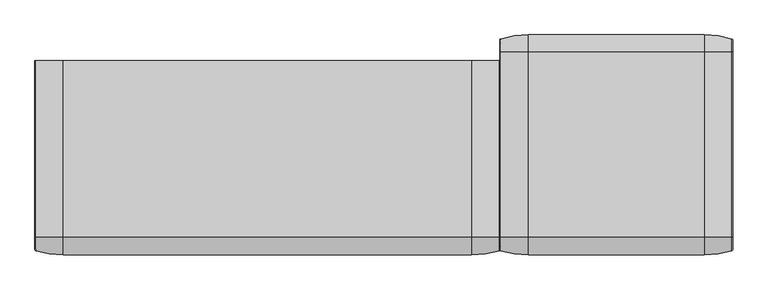
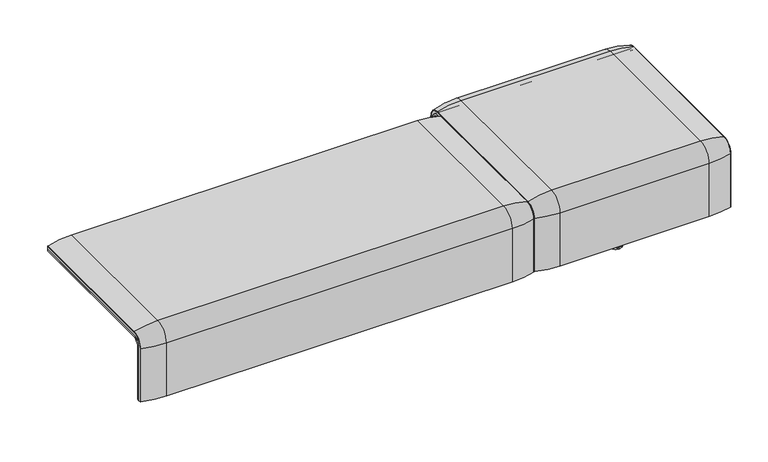
"""IFC4 building model written with IfcOpenShell, lengths in millimetres: furniture geometry."""

from ifc_helpers import new_model, si_unit, point, frame, frame_2d, origin, place, context, project, spatial, polyline, circle_curve, ellipse_curve, trimmed, segment, composite_curve, outline, extrude, source, transform, mapped, element, save
from ifc_brep_helpers import plane_surface, cylinder_surface, revolved_surface, advanced_brep


def furniture_5e5a05a0(model_context):
    return source(origin(), model_context, "Body", "SolidModel", [
        advanced_brep(
        [(407.9906244, 323.7517936, 359.922434), (407.9906244, -323.7517936, 359.922434), (407.9906244, -351.0, 332.6742277), (407.9906244, -351.0, 100.5089435), (407.9906244, -357.5, 100.5089435), (407.9906244, -357.5, 333.0583003), (407.9906244, -324.3858663, 366.172434), (407.9906244, 324.3858663, 366.172434), (407.9906244, 357.5, 333.0583003), (407.9906244, 357.5, 100.5089435), (407.9906244, 351.0, 100.5089435), (407.9906244, 351.0, 332.6742277), (1223.9718733, 323.7517936, 359.922434), (1223.9718733, 351.0, 332.6742277), (1223.9718733, 351.0, 100.5089435), (1223.9718733, 357.5, 100.5089435), (1223.9718733, 357.5, 333.0583003), (1223.9718733, 324.3858663, 366.172434), (1223.9718733, -324.3858663, 366.172434), (1223.9718733, -357.5, 333.0583003), (1223.9718733, -357.5, 100.5089435), (1223.9718733, -351.0, 100.5089435), (1223.9718733, -351.0, 332.6742277), (1223.9718733, -323.7517936, 359.922434), (442.8906244, -324.3858663, 366.172434), (442.8906244, 324.3858663, 366.172434), (1189.0718733, 324.3858663, 366.172434), (1189.0718733, -324.3858663, 366.172434), (442.8906244, -357.5, 333.0583003), (1189.0718733, -357.5, 333.0583003), (1189.0718733, -357.5, 135.3766997), (442.8906244, -357.5, 135.3766997), (442.8906244, -351.0, 332.6742277), (442.8906244, -351.0, 135.3766997), (1189.0718733, -351.0, 135.3766997), (1189.0718733, -351.0, 332.6742277), (442.8906244, -323.7517936, 359.922434), (1189.0718733, -323.7517936, 359.922434), (442.8906244, 323.7517936, 359.922434), (1189.0718733, 323.7517936, 359.922434), (442.8906244, 357.5, 333.0583003), (1189.0718733, 357.5, 333.0583003), (442.8906244, 357.5, 135.3766997), (1189.0718733, 357.5, 135.3766997), (1189.0718733, 351.0, 332.6742277), (1189.0718733, 351.0, 135.3766997), (442.8906244, 351.0, 135.3766997), (442.8906244, 351.0, 332.6742277)],
        [
            (0, 1),
            (1, 2, circle_curve(frame((407.9906244, -323.7517936, 332.6742277), z_axis=(1.0, 0.0, 0.0), x_axis=(0.0, -1.0, 0.0)), 27.2482064)),
            (2, 3),
            (3, 4),
            (4, 5),
            (5, 6, circle_curve(frame((407.9906244, -324.3858663, 333.0583003), z_axis=(-1.0, 0.0, 0.0), x_axis=(0.0, -1.0, 0.0)), 33.1141337)),
            (6, 7),
            (7, 8, circle_curve(frame((407.9906244, 324.3858663, 333.0583003), z_axis=(-1.0, 0.0, 0.0), x_axis=(0.0, 1.0, 0.0)), 33.1141337)),
            (8, 9),
            (9, 10),
            (10, 11),
            (11, 0, circle_curve(frame((407.9906244, 323.7517936, 332.6742277), z_axis=(1.0, 0.0, 0.0), x_axis=(0.0, 1.0, 0.0)), 27.2482064)),
            (12, 13, circle_curve(frame((1223.9718733, 323.7517936, 332.6742277), z_axis=(-1.0, 0.0, 0.0), x_axis=(0.0, 1.0, 0.0)), 27.2482064)),
            (13, 14),
            (14, 15),
            (15, 16),
            (16, 17, circle_curve(frame((1223.9718733, 324.3858663, 333.0583003), z_axis=(1.0, 0.0, 0.0), x_axis=(0.0, 1.0, 0.0)), 33.1141337)),
            (17, 18),
            (18, 19, circle_curve(frame((1223.9718733, -324.3858663, 333.0583003), z_axis=(1.0, 0.0, 0.0), x_axis=(0.0, -1.0, 0.0)), 33.1141337)),
            (19, 20),
            (20, 21),
            (21, 22),
            (22, 23, circle_curve(frame((1223.9718733, -323.7517936, 332.6742277), z_axis=(-1.0, 0.0, 0.0), x_axis=(0.0, -1.0, 0.0)), 27.2482064)),
            (23, 12),
            (6, 24),
            (24, 25),
            (25, 7),
            (17, 26),
            (26, 27),
            (27, 18),
            (5, 28),
            (28, 24, circle_curve(frame((442.8906244, -324.3858663, 333.0583003), z_axis=(-1.0, 0.0, 0.0), x_axis=(0.0, -1.0, 0.0)), 33.1141337)),
            (27, 29, circle_curve(frame((1189.0718733, -324.3858663, 333.0583003), z_axis=(1.0, 0.0, 0.0), x_axis=(0.0, -1.0, 0.0)), 33.1141337)),
            (29, 19),
            (4, 20),
            (29, 30),
            (30, 31),
            (31, 28),
            (3, 21),
            (2, 32),
            (32, 33),
            (33, 34),
            (34, 35),
            (35, 22),
            (1, 36),
            (36, 32, circle_curve(frame((442.8906244, -323.7517936, 332.6742277), z_axis=(1.0, 0.0, 0.0), x_axis=(0.0, -1.0, 0.0)), 27.2482064)),
            (35, 37, circle_curve(frame((1189.0718733, -323.7517936, 332.6742277), z_axis=(-1.0, 0.0, 0.0), x_axis=(0.0, -1.0, 0.0)), 27.2482064)),
            (37, 23),
            (0, 38),
            (38, 36),
            (37, 39),
            (39, 12),
            (25, 40, circle_curve(frame((442.8906244, 324.3858663, 333.0583003), z_axis=(-1.0, 0.0, 0.0), x_axis=(0.0, 1.0, 0.0)), 33.1141337)),
            (40, 8),
            (16, 41),
            (41, 26, circle_curve(frame((1189.0718733, 324.3858663, 333.0583003), z_axis=(1.0, 0.0, 0.0), x_axis=(0.0, 1.0, 0.0)), 33.1141337)),
            (40, 42),
            (42, 43),
            (43, 41),
            (15, 9),
            (14, 10),
            (13, 44),
            (44, 45),
            (45, 46),
            (46, 47),
            (47, 11),
            (47, 38, circle_curve(frame((442.8906244, 323.7517936, 332.6742277), z_axis=(1.0, 0.0, 0.0), x_axis=(0.0, 1.0, 0.0)), 27.2482064)),
            (39, 44, circle_curve(frame((1189.0718733, 323.7517936, 332.6742277), z_axis=(-1.0, 0.0, 0.0), x_axis=(0.0, 1.0, 0.0)), 27.2482064)),
            (46, 42),
            (31, 33),
            (34, 30),
            (43, 45),
        ],
        [
            plane_surface(frame((407.9906244, -296.9265415, 359.922434), z_axis=(-1.0, 0.0, 0.0), x_axis=(0.0, -1.0, 0.0))),
            plane_surface(frame((1223.9718733, -296.9265415, 359.922434), z_axis=(1.0, 0.0, 0.0), x_axis=(0.0, 1.0, 0.0))),
            plane_surface(frame((407.9906244, -324.3858663, 366.172434), z_axis=(0.0, 0.0, 1.0), x_axis=(1.0, 0.0, 0.0))),
            cylinder_surface(frame((1223.9718733, -324.3858663, 333.0583003), z_axis=(-1.0, 0.0, 0.0), x_axis=(0.0, -1.0, 0.0)), 33.1141337),
            plane_surface(frame((407.9906244, -357.5, 100.5089435), z_axis=(0.0, -1.0, 0.0), x_axis=(1.0, 0.0, 0.0))),
            plane_surface(frame((407.9906244, -351.0, 100.5089435), z_axis=(0.0, 0.0, -1.0), x_axis=(1.0, 0.0, 0.0))),
            plane_surface(frame((407.9906244, -351.0, 332.6742277), z_axis=(0.0, 1.0, 0.0), x_axis=(1.0, 0.0, 0.0))),
            revolved_surface(polyline([(442.8906244, -351.0, 332.6742277), (407.9906244, -351.0, 332.6742277)]), (1223.9718733, -323.7517936, 332.6742277), (1.0, 0.0, 0.0)),
            revolved_surface(polyline([(1223.9718733, -351.0, 332.6742277), (1189.0718733, -351.0, 332.6742277)]), (1223.9718733, -323.7517936, 332.6742277), (1.0, 0.0, 0.0)),
            plane_surface(frame((407.9906244, 323.7517936, 359.922434), z_axis=(0.0, 0.0, -1.0), x_axis=(1.0, 0.0, 0.0))),
            cylinder_surface(frame((1223.9718733, 324.3858663, 333.0583003), z_axis=(-1.0, 0.0, 0.0), x_axis=(0.0, 1.0, 0.0)), 33.1141337),
            plane_surface(frame((407.9906244, 357.5, 333.0583003), z_axis=(0.0, 1.0, 0.0), x_axis=(1.0, 0.0, 0.0))),
            plane_surface(frame((407.9906244, 357.5, 100.5089435), z_axis=(0.0, 0.0, -1.0), x_axis=(1.0, 0.0, 0.0))),
            plane_surface(frame((407.9906244, 351.0, 100.5089435), z_axis=(0.0, -1.0, 0.0), x_axis=(1.0, 0.0, 0.0))),
            revolved_surface(polyline([(442.8906244, 351.0, 332.6742277), (407.9906244, 351.0, 332.6742277)]), (1223.9718733, 323.7517936, 332.6742277), (1.0, 0.0, 0.0)),
            revolved_surface(polyline([(1223.9718733, 351.0, 332.6742277), (1189.0718733, 351.0, 332.6742277)]), (1223.9718733, 323.7517936, 332.6742277), (1.0, 0.0, 0.0)),
            plane_surface(frame((442.8906244, -296.9265415, 359.922434), z_axis=(1.0, 0.0, 0.0), x_axis=(0.0, -1.0, 0.0))),
            plane_surface(frame((1189.0718733, -296.9265415, 359.922434), z_axis=(-1.0, 0.0, 0.0), x_axis=(0.0, 1.0, 0.0))),
            plane_surface(frame((442.8906244, -351.0, 135.3766997), z_axis=(0.0, 0.0, 1.0), x_axis=(1.0, 0.0, 0.0))),
            plane_surface(frame((442.8906244, 357.5, 135.3766997), z_axis=(0.0, 0.0, 1.0), x_axis=(1.0, 0.0, 0.0))),
        ],
        [
            (0, [[1, 2, 3, 4, 5, 6, 7, 8, 9, 10, 11, 12]]),
            (1, [[13, 14, 15, 16, 17, 18, 19, 20, 21, 22, 23, 24]]),
            (2, [[-7, 25, 26, 27]]),
            (2, [[-18, 28, 29, 30]]),
            (3, [[-6, 31, 32, -25]]),
            (3, [[-19, -30, 33, 34]]),
            (4, [[-5, 35, -20, -34, 36, 37, 38, -31]]),
            (5, [[-4, 39, -21, -35]]),
            (6, [[-3, 40, 41, 42, 43, 44, -22, -39]]),
            (7, [[-2, 45, 46, -40]]),
            (8, [[-23, -44, 47, 48]]),
            (9, [[-1, 49, 50, -45]]),
            (9, [[-24, -48, 51, 52]]),
            (10, [[-8, -27, 53, 54]]),
            (10, [[-17, 55, 56, -28]]),
            (11, [[-9, -54, 57, 58, 59, -55, -16, 60]]),
            (12, [[-10, -60, -15, 61]]),
            (13, [[-11, -61, -14, 62, 63, 64, 65, 66]]),
            (14, [[-12, -66, 67, -49]]),
            (15, [[-13, -52, 68, -62]]),
            (16, [[69, -57, -53, -26, -32, -38, 70, -41, -46, -50, -67, -65]]),
            (17, [[71, -36, -33, -29, -56, -59, 72, -63, -68, -51, -47, -43]]),
            (18, [[-70, -37, -71, -42]]),
            (19, [[-69, -64, -72, -58]]),
        ],
    ),
        extrude(outline(composite_curve([segment(polyline([(323.7517936, 359.922434), (-323.7517936, 359.922434)]), True, "CONTINUOUS"), segment(trimmed(circle_curve(frame_2d((-323.7517936, 332.6742277)), 27.2482064), [point((-323.7517936, 359.922434))], [point((-351.0, 332.6742277))], True, "CARTESIAN"), True, "CONTINUOUS"), segment(polyline([(-351.0, 332.6742277), (-351.0, 135.3766997), (-357.5, 135.3766997), (-357.5, 333.0583003)]), True, "CONTINUOUS"), segment(trimmed(circle_curve(frame_2d((-324.3858663, 333.0583003)), 33.1141337), [point((-357.5, 333.0583003))], [point((-324.3858663, 366.172434))], False, "CARTESIAN"), True, "CONTINUOUS"), segment(polyline([(-324.3858663, 366.172434), (324.3858663, 366.172434)]), True, "CONTINUOUS"), segment(trimmed(circle_curve(frame_2d((324.3858663, 333.0583003)), 33.1141337), [point((324.3858663, 366.172434))], [point((357.5, 333.0583003))], False, "CARTESIAN"), True, "CONTINUOUS"), segment(polyline([(357.5, 333.0583003), (357.5, 135.3766997), (351.0, 135.3766997), (351.0, 332.6742277)]), True, "CONTINUOUS"), segment(trimmed(circle_curve(frame_2d((323.7517936, 332.6742277)), 27.2482064), [point((351.0, 332.6742277))], [point((323.7517936, 359.922434))], True, "CARTESIAN"), True, "CONTINUOUS")], self_intersect=False)), frame((442.8906244, 0.0, 0.0), z_axis=(1.0, 0.0, 0.0), x_axis=(0.0, 1.0, 0.0)), (0.0, 0.0, 1.0), 746.1812488),
        advanced_brep(
        [(407.9906244, -368.7793679, 100.5089435), (407.9906244, -357.5, 100.5089435), (1223.9718733, -357.5, 100.5089435), (1223.9718733, -368.7793679, 100.5089435), (1221.8332448, -371.6530483, 100.5089435), (1123.9718733, -386.0043559, 100.5089435), (507.9906244, -386.0043559, 100.5089435), (410.1292529, -371.6530483, 100.5089435), (407.9906244, 368.7793679, 100.5089435), (410.1292529, 371.6530483, 100.5089435), (507.9906244, 386.0043559, 100.5089435), (1123.9718733, 386.0043559, 100.5089435), (1221.8332448, 371.6530483, 100.5089435), (1223.9718733, 368.7793679, 100.5089435), (1223.9718733, 357.5, 100.5089435), (407.9906244, 357.5, 100.5089435), (407.9906244, -368.7793679, 333.0583003), (407.9906244, -324.3858663, 377.4518019), (407.9906244, 324.3858663, 377.4518019), (407.9906244, 368.7793679, 333.0583003), (407.9906244, 357.5, 333.0583003), (407.9906244, 324.3858663, 366.172434), (407.9906244, -324.3858663, 366.172434), (407.9906244, -357.5, 333.0583003), (1223.9718733, -357.5, 333.0583003), (1123.9718733, -386.0043559, 333.0583003), (507.9906244, -386.0043559, 333.0583003), (410.1292529, -371.6530483, 333.0583003), (1223.9718733, -324.3858663, 366.172434), (507.9906244, -324.3858663, 394.67679), (1123.9718733, -324.3858663, 394.67679), (410.1292529, -324.3858663, 380.3254823), (1223.9718733, 324.3858663, 366.172434), (1123.9718733, 324.3858663, 394.67679), (507.9906244, 324.3858663, 394.67679), (410.1292529, 324.3858663, 380.3254823), (1223.9718733, 357.5, 333.0583003), (507.9906244, 386.0043559, 333.0583003), (1123.9718733, 386.0043559, 333.0583003), (410.1292529, 371.6530483, 333.0583003), (1223.9718733, 368.7793679, 333.0583003), (1223.9718733, 324.3858663, 377.4518019), (1223.9718733, -324.3858663, 377.4518019), (1223.9718733, -368.7793679, 333.0583003), (1221.8332448, -371.6530483, 333.0583003), (1221.8332448, -324.3858663, 380.3254823), (1221.8332448, 324.3858663, 380.3254823), (1221.8332448, 371.6530483, 333.0583003)],
        [
            (0, 1),
            (1, 2),
            (2, 3),
            (3, 4, circle_curve(frame((1220.9718733, -368.7793679, 100.5089435), z_axis=(0.0, 0.0, -1.0), x_axis=(-1.0, 0.0, 0.0)), 3.0)),
            (4, 5, circle_curve(frame((1123.9718733, -45.1710226, 100.5089435), z_axis=(0.0, 0.0, -1.0), x_axis=(0.0, 1.0, 0.0)), 340.8333333)),
            (5, 6),
            (6, 7, circle_curve(frame((507.9906244, -45.1710226, 100.5089435), z_axis=(0.0, 0.0, -1.0), x_axis=(0.0, 1.0, 0.0)), 340.8333333)),
            (7, 0, circle_curve(frame((410.9906244, -368.7793679, 100.5089435), z_axis=(0.0, 0.0, -1.0), x_axis=(1.0, 0.0, 0.0)), 3.0)),
            (8, 9, circle_curve(frame((410.9906244, 368.7793679, 100.5089435), z_axis=(0.0, 0.0, -1.0), x_axis=(1.0, 0.0, 0.0)), 3.0)),
            (9, 10, circle_curve(frame((507.9906244, 45.1710226, 100.5089435), z_axis=(0.0, 0.0, -1.0), x_axis=(0.0, -1.0, 0.0)), 340.8333333)),
            (10, 11),
            (11, 12, circle_curve(frame((1123.9718733, 45.1710226, 100.5089435), z_axis=(0.0, 0.0, -1.0), x_axis=(0.0, -1.0, 0.0)), 340.8333333)),
            (12, 13, circle_curve(frame((1220.9718733, 368.7793679, 100.5089435), z_axis=(0.0, 0.0, -1.0), x_axis=(-1.0, 0.0, 0.0)), 3.0)),
            (13, 14),
            (14, 15),
            (15, 8),
            (0, 16),
            (16, 17, circle_curve(frame((407.9906244, -324.3858663, 333.0583003), z_axis=(-1.0, 0.0, 0.0), x_axis=(0.0, -1.0, 0.0)), 44.3935016)),
            (17, 18),
            (18, 19, circle_curve(frame((407.9906244, 324.3858663, 333.0583003), z_axis=(-1.0, 0.0, 0.0), x_axis=(0.0, 0.0, 1.0)), 44.3935016)),
            (19, 8),
            (15, 20),
            (20, 21, circle_curve(frame((407.9906244, 324.3858663, 333.0583003), z_axis=(1.0, 0.0, 0.0), x_axis=(0.0, 0.0, 1.0)), 33.1141337)),
            (21, 22),
            (22, 23, circle_curve(frame((407.9906244, -324.3858663, 333.0583003), z_axis=(1.0, 0.0, 0.0), x_axis=(0.0, -1.0, 0.0)), 33.1141337)),
            (23, 1),
            (23, 24),
            (24, 2),
            (5, 25),
            (25, 26),
            (26, 6),
            (26, 27, circle_curve(frame((507.9906244, -45.1710226, 333.0583003), z_axis=(0.0, 0.0, -1.0), x_axis=(0.0, 1.0, 0.0)), 340.8333333)),
            (27, 7),
            (27, 16, circle_curve(frame((410.9906244, -368.7793679, 333.0583003), z_axis=(0.0, 0.0, -1.0), x_axis=(1.0, 0.0, 0.0)), 3.0)),
            (28, 24, circle_curve(frame((1223.9718733, -324.3858663, 333.0583003), z_axis=(1.0, 0.0, 0.0), x_axis=(0.0, -1.0, 0.0)), 33.1141337)),
            (22, 28),
            (29, 26, circle_curve(frame((507.9906244, -324.3858663, 333.0583003), z_axis=(1.0, 0.0, 0.0), x_axis=(0.0, -1.0, 0.0)), 61.6184897)),
            (25, 30, circle_curve(frame((1123.9718733, -324.3858663, 333.0583003), z_axis=(-1.0, 0.0, 0.0), x_axis=(0.0, -1.0, 0.0)), 61.6184897)),
            (30, 29),
            (31, 27, circle_curve(frame((410.1292529, -324.3858663, 333.0583003), z_axis=(1.0, 0.0, 0.0), x_axis=(0.0, -1.0, 0.0)), 47.267182)),
            (29, 31, circle_curve(frame((507.9906244, -324.3858663, 53.8434566), z_axis=(0.0, -1.0, 0.0), x_axis=(0.0, 0.0, -1.0)), 340.8333333)),
            (31, 17, circle_curve(frame((410.9906244, -324.3858663, 377.4518019), z_axis=(0.0, -1.0, 0.0), x_axis=(1.0, 0.0, 0.0)), 3.0)),
            (21, 32),
            (32, 28),
            (30, 33),
            (33, 34),
            (34, 29),
            (34, 35, circle_curve(frame((507.9906244, 324.3858663, 53.8434566), z_axis=(0.0, -1.0, 0.0), x_axis=(0.0, 0.0, -1.0)), 340.8333333)),
            (35, 31),
            (35, 18, circle_curve(frame((410.9906244, 324.3858663, 377.4518019), z_axis=(0.0, -1.0, 0.0), x_axis=(1.0, 0.0, 0.0)), 3.0)),
            (36, 32, circle_curve(frame((1223.9718733, 324.3858663, 333.0583003), z_axis=(1.0, 0.0, 0.0), x_axis=(0.0, 0.0, 1.0)), 33.1141337)),
            (20, 36),
            (37, 34, circle_curve(frame((507.9906244, 324.3858663, 333.0583003), z_axis=(1.0, 0.0, 0.0), x_axis=(0.0, 0.0, 1.0)), 61.6184897)),
            (33, 38, circle_curve(frame((1123.9718733, 324.3858663, 333.0583003), z_axis=(-1.0, 0.0, 0.0), x_axis=(0.0, 0.0, 1.0)), 61.6184897)),
            (38, 37),
            (39, 35, circle_curve(frame((410.1292529, 324.3858663, 333.0583003), z_axis=(1.0, 0.0, 0.0), x_axis=(0.0, 0.0, 1.0)), 47.267182)),
            (37, 39, circle_curve(frame((507.9906244, 45.1710226, 333.0583003), z_axis=(0.0, 0.0, 1.0), x_axis=(0.0, -1.0, 0.0)), 340.8333333)),
            (39, 19, circle_curve(frame((410.9906244, 368.7793679, 333.0583003), z_axis=(0.0, 0.0, 1.0), x_axis=(1.0, 0.0, 0.0)), 3.0)),
            (14, 36),
            (38, 11),
            (10, 37),
            (9, 39),
            (13, 40),
            (40, 41, circle_curve(frame((1223.9718733, 324.3858663, 333.0583003), z_axis=(1.0, 0.0, 0.0), x_axis=(0.0, 0.0, 1.0)), 44.3935016)),
            (41, 42),
            (42, 43, circle_curve(frame((1223.9718733, -324.3858663, 333.0583003), z_axis=(1.0, 0.0, 0.0), x_axis=(0.0, -1.0, 0.0)), 44.3935016)),
            (43, 3),
            (43, 44, circle_curve(frame((1220.9718733, -368.7793679, 333.0583003), z_axis=(0.0, 0.0, -1.0), x_axis=(-1.0, 0.0, 0.0)), 3.0)),
            (44, 4),
            (44, 25, circle_curve(frame((1123.9718733, -45.1710226, 333.0583003), z_axis=(0.0, 0.0, -1.0), x_axis=(0.0, 1.0, 0.0)), 340.8333333)),
            (45, 44, circle_curve(frame((1221.8332448, -324.3858663, 333.0583003), z_axis=(1.0, 0.0, 0.0), x_axis=(0.0, -1.0, 0.0)), 47.267182)),
            (42, 45, circle_curve(frame((1220.9718733, -324.3858663, 377.4518019), z_axis=(0.0, -1.0, 0.0), x_axis=(-1.0, 0.0, 0.0)), 3.0)),
            (45, 30, circle_curve(frame((1123.9718733, -324.3858663, 53.8434566), z_axis=(0.0, -1.0, 0.0), x_axis=(0.0, 0.0, -1.0)), 340.8333333)),
            (41, 46, circle_curve(frame((1220.9718733, 324.3858663, 377.4518019), z_axis=(0.0, -1.0, 0.0), x_axis=(-1.0, 0.0, 0.0)), 3.0)),
            (46, 45),
            (46, 33, circle_curve(frame((1123.9718733, 324.3858663, 53.8434566), z_axis=(0.0, -1.0, 0.0), x_axis=(0.0, 0.0, -1.0)), 340.8333333)),
            (47, 46, circle_curve(frame((1221.8332448, 324.3858663, 333.0583003), z_axis=(1.0, 0.0, 0.0), x_axis=(0.0, 0.0, 1.0)), 47.267182)),
            (40, 47, circle_curve(frame((1220.9718733, 368.7793679, 333.0583003), z_axis=(0.0, 0.0, 1.0), x_axis=(-1.0, 0.0, 0.0)), 3.0)),
            (47, 38, circle_curve(frame((1123.9718733, 45.1710226, 333.0583003), z_axis=(0.0, 0.0, 1.0), x_axis=(0.0, -1.0, 0.0)), 340.8333333)),
            (12, 47),
        ],
        [
            plane_surface(frame((407.9906244, -357.5, 100.5089435), z_axis=(0.0, 0.0, -1.0), x_axis=(1.0, 0.0, 0.0))),
            plane_surface(frame((407.9906244, 357.5, 100.5089435), z_axis=(0.0, 0.0, -1.0), x_axis=(1.0, 0.0, 0.0))),
            plane_surface(frame((407.9906244, -368.7793679, 100.5089435), z_axis=(-1.0, 0.0, 0.0), x_axis=(0.0, 0.0, 1.0))),
            plane_surface(frame((407.9906244, -357.5, 100.5089435), z_axis=(0.0, 1.0, 0.0), x_axis=(0.0, 0.0, 1.0))),
            plane_surface(frame((1123.9718733, -386.0043559, 100.5089435), z_axis=(0.0, -1.0, 0.0), x_axis=(0.0, 0.0, 1.0))),
            cylinder_surface(frame((507.9906244, -45.1710226, 100.5089435), z_axis=(0.0, 0.0, -1.0), x_axis=(0.0, 1.0, 0.0)), 340.8333333),
            cylinder_surface(frame((410.9906244, -368.7793679, 100.5089435), z_axis=(0.0, 0.0, -1.0), x_axis=(1.0, 0.0, 0.0)), 3.0),
            revolved_surface(polyline([(407.9906244, -357.5, 333.0583003), (1223.9718733, -357.5, 333.0583003)]), (407.9906244, -324.3858663, 333.0583003), (-1.0, 0.0, 0.0)),
            cylinder_surface(frame((407.9906244, -324.3858663, 333.0583003), z_axis=(-1.0, 0.0, 0.0), x_axis=(0.0, -1.0, 0.0)), 61.6184897),
            revolved_surface(trimmed(ellipse_curve(frame((507.9906244, -45.1710226, 333.0583003), z_axis=(0.0, 0.0, -1.0), x_axis=(0.0, 1.0, 0.0)), 340.8333333, 340.8333333), [point((507.9906244, -386.0043559, 333.0583003))], [point((410.1292529, -371.6530483, 333.0583003))], True, "CARTESIAN"), (407.9906244, -324.3858663, 333.0583003), (-1.0, 0.0, 0.0)),
            revolved_surface(trimmed(ellipse_curve(frame((410.9906244, -368.7793679, 333.0583003), z_axis=(0.0, 0.0, -1.0), x_axis=(1.0, 0.0, 0.0)), 3.0, 3.0), [point((410.1292529, -371.6530483, 333.0583003))], [point((407.9906244, -368.7793679, 333.0583003))], True, "CARTESIAN"), (407.9906244, -324.3858663, 333.0583003), (-1.0, 0.0, 0.0)),
            plane_surface(frame((407.9906244, -324.3858663, 366.172434), z_axis=(0.0, 0.0, -1.0), x_axis=(0.0, 1.0, 0.0))),
            plane_surface(frame((1123.9718733, -324.3858663, 394.67679), z_axis=(0.0, 0.0, 1.0), x_axis=(0.0, 1.0, 0.0))),
            cylinder_surface(frame((507.9906244, -324.3858663, 53.8434566), z_axis=(0.0, -1.0, 0.0), x_axis=(0.0, 0.0, -1.0)), 340.8333333),
            cylinder_surface(frame((410.9906244, -324.3858663, 377.4518019), z_axis=(0.0, -1.0, 0.0), x_axis=(1.0, 0.0, 0.0)), 3.0),
            revolved_surface(polyline([(407.9906244, 324.3858663, 366.17243399999995), (1223.9718733, 324.3858663, 366.17243399999995)]), (407.9906244, 324.3858663, 333.0583003), (-1.0, 0.0, 0.0)),
            cylinder_surface(frame((407.9906244, 324.3858663, 333.0583003), z_axis=(-1.0, 0.0, 0.0), x_axis=(0.0, 0.0, 1.0)), 61.6184897),
            revolved_surface(trimmed(ellipse_curve(frame((507.9906244, 324.3858663, 53.8434566), z_axis=(0.0, -1.0, 0.0), x_axis=(0.0, 0.0, -1.0)), 340.8333333, 340.8333333), [point((507.9906244, 324.3858663, 394.67679))], [point((410.1292529, 324.3858663, 380.3254823))], True, "CARTESIAN"), (407.9906244, 324.3858663, 333.0583003), (-1.0, 0.0, 0.0)),
            revolved_surface(trimmed(ellipse_curve(frame((410.9906244, 324.3858663, 377.4518019), z_axis=(0.0, -1.0, 0.0), x_axis=(1.0, 0.0, 0.0)), 3.0, 3.0), [point((410.1292529, 324.3858663, 380.3254823))], [point((407.9906244, 324.3858663, 377.4518019))], True, "CARTESIAN"), (407.9906244, 324.3858663, 333.0583003), (-1.0, 0.0, 0.0)),
            plane_surface(frame((407.9906244, 357.5, 333.0583003), z_axis=(0.0, -1.0, 0.0), x_axis=(0.0, 0.0, -1.0))),
            plane_surface(frame((1123.9718733, 386.0043559, 333.0583003), z_axis=(0.0, 1.0, 0.0), x_axis=(0.0, 0.0, -1.0))),
            cylinder_surface(frame((507.9906244, 45.1710226, 333.0583003), z_axis=(0.0, 0.0, 1.0), x_axis=(0.0, -1.0, 0.0)), 340.8333333),
            cylinder_surface(frame((410.9906244, 368.7793679, 333.0583003), z_axis=(0.0, 0.0, 1.0), x_axis=(1.0, 0.0, 0.0)), 3.0),
            plane_surface(frame((1223.9718733, -357.5, 100.5089435), z_axis=(1.0, 0.0, 0.0), x_axis=(0.0, 0.0, 1.0))),
            cylinder_surface(frame((1220.9718733, -368.7793679, 100.5089435), z_axis=(0.0, 0.0, -1.0), x_axis=(-1.0, 0.0, 0.0)), 3.0),
            cylinder_surface(frame((1123.9718733, -45.1710226, 100.5089435), z_axis=(0.0, 0.0, -1.0), x_axis=(0.0, 1.0, 0.0)), 340.8333333),
            revolved_surface(trimmed(ellipse_curve(frame((1220.9718733, -368.7793679, 333.0583003), z_axis=(0.0, 0.0, -1.0), x_axis=(-1.0, 0.0, 0.0)), 3.0, 3.0), [point((1223.9718733, -368.7793679, 333.0583003))], [point((1221.8332448, -371.6530483, 333.0583003))], True, "CARTESIAN"), (407.9906244, -324.3858663, 333.0583003), (-1.0, 0.0, 0.0)),
            revolved_surface(trimmed(ellipse_curve(frame((1123.9718733, -45.1710226, 333.0583003), z_axis=(0.0, 0.0, -1.0), x_axis=(0.0, 1.0, 0.0)), 340.8333333, 340.8333333), [point((1221.8332448, -371.6530483, 333.0583003))], [point((1123.9718733, -386.0043559, 333.0583003))], True, "CARTESIAN"), (407.9906244, -324.3858663, 333.0583003), (-1.0, 0.0, 0.0)),
            cylinder_surface(frame((1220.9718733, -324.3858663, 377.4518019), z_axis=(0.0, -1.0, 0.0), x_axis=(-1.0, 0.0, 0.0)), 3.0),
            cylinder_surface(frame((1123.9718733, -324.3858663, 53.8434566), z_axis=(0.0, -1.0, 0.0), x_axis=(0.0, 0.0, -1.0)), 340.8333333),
            revolved_surface(trimmed(ellipse_curve(frame((1220.9718733, 324.3858663, 377.4518019), z_axis=(0.0, -1.0, 0.0), x_axis=(-1.0, 0.0, 0.0)), 3.0, 3.0), [point((1223.9718733, 324.3858663, 377.4518019))], [point((1221.8332448, 324.3858663, 380.3254823))], True, "CARTESIAN"), (407.9906244, 324.3858663, 333.0583003), (-1.0, 0.0, 0.0)),
            revolved_surface(trimmed(ellipse_curve(frame((1123.9718733, 324.3858663, 53.8434566), z_axis=(0.0, -1.0, 0.0), x_axis=(0.0, 0.0, -1.0)), 340.8333333, 340.8333333), [point((1221.8332448, 324.3858663, 380.3254823))], [point((1123.9718733, 324.3858663, 394.67679))], True, "CARTESIAN"), (407.9906244, 324.3858663, 333.0583003), (-1.0, 0.0, 0.0)),
            cylinder_surface(frame((1220.9718733, 368.7793679, 333.0583003), z_axis=(0.0, 0.0, 1.0), x_axis=(-1.0, 0.0, 0.0)), 3.0),
            cylinder_surface(frame((1123.9718733, 45.1710226, 333.0583003), z_axis=(0.0, 0.0, 1.0), x_axis=(0.0, -1.0, 0.0)), 340.8333333),
        ],
        [
            (0, [[1, 2, 3, 4, 5, 6, 7, 8]]),
            (1, [[9, 10, 11, 12, 13, 14, 15, 16]]),
            (2, [[-1, 17, 18, 19, 20, 21, -16, 22, 23, 24, 25, 26]]),
            (3, [[-2, -26, 27, 28]]),
            (4, [[-6, 29, 30, 31]]),
            (5, [[-7, -31, 32, 33]]),
            (6, [[-8, -33, 34, -17]]),
            (7, [[35, -27, -25, 36]]),
            (8, [[37, -30, 38, 39]]),
            (9, [[40, -32, -37, 41]]),
            (10, [[-18, -34, -40, 42]]),
            (11, [[-36, -24, 43, 44]]),
            (12, [[-39, 45, 46, 47]]),
            (13, [[-41, -47, 48, 49]]),
            (14, [[-42, -49, 50, -19]]),
            (15, [[51, -43, -23, 52]]),
            (16, [[53, -46, 54, 55]]),
            (17, [[56, -48, -53, 57]]),
            (18, [[-20, -50, -56, 58]]),
            (19, [[-52, -22, -15, 59]]),
            (20, [[-55, 60, -11, 61]]),
            (21, [[-57, -61, -10, 62]]),
            (22, [[-58, -62, -9, -21]]),
            (23, [[-3, -28, -35, -44, -51, -59, -14, 63, 64, 65, 66, 67]]),
            (24, [[-4, -67, 68, 69]]),
            (25, [[-5, -69, 70, -29]]),
            (26, [[71, -68, -66, 72]]),
            (27, [[-38, -70, -71, 73]]),
            (28, [[-72, -65, 74, 75]]),
            (29, [[-73, -75, 76, -45]]),
            (30, [[77, -74, -64, 78]]),
            (31, [[-54, -76, -77, 79]]),
            (32, [[-78, -63, -13, 80]]),
            (33, [[-79, -80, -12, -60]]),
        ],
    ),
        advanced_brep(
        [(-1223.9718733, 295.0, 359.922434), (-1223.9718733, -323.7517936, 359.922434), (-1223.9718733, -351.0, 332.6742277), (-1223.9718733, -351.0, 100.5089435), (-1223.9718733, -357.5, 100.5089435), (-1223.9718733, -357.5, 333.0583003), (-1223.9718733, -324.3858663, 366.172434), (-1223.9718733, 295.0, 366.172434), (407.9906244, 295.0, 359.922434), (407.9906244, 295.0, 366.172434), (407.9906244, -324.3858663, 366.172434), (407.9906244, -357.5, 333.0583003), (407.9906244, -357.5, 100.5089435), (407.9906244, -351.0, 100.5089435), (407.9906244, -351.0, 332.6742277), (407.9906244, -323.7517936, 359.922434), (-1189.0718733, -324.3858663, 366.172434), (-1189.0718733, 260.0, 366.172434), (373.0906244, 260.0, 366.172434), (373.0906244, -324.3858663, 366.172434), (-1189.0718733, -357.5, 333.0583003), (373.0906244, -357.5, 333.0583003), (373.0906244, -357.5, 135.3766997), (-1189.0718733, -357.5, 135.3766997), (-1189.0718733, -351.0, 332.6742277), (-1189.0718733, -351.0, 135.3766997), (373.0906244, -351.0, 135.3766997), (373.0906244, -351.0, 332.6742277), (-1189.0718733, -323.7517936, 359.922434), (373.0906244, -323.7517936, 359.922434), (373.0906244, 260.0, 359.922434), (-1189.0718733, 260.0, 359.922434)],
        [
            (0, 1),
            (1, 2, circle_curve(frame((-1223.9718733, -323.7517936, 332.6742277), z_axis=(1.0, 0.0, 0.0), x_axis=(0.0, -1.0, 0.0)), 27.2482064)),
            (2, 3),
            (3, 4),
            (4, 5),
            (5, 6, circle_curve(frame((-1223.9718733, -324.3858663, 333.0583003), z_axis=(-1.0, 0.0, 0.0), x_axis=(0.0, -1.0, 0.0)), 33.1141337)),
            (6, 7),
            (7, 0),
            (8, 9),
            (9, 10),
            (10, 11, circle_curve(frame((407.9906244, -324.3858663, 333.0583003), z_axis=(1.0, 0.0, 0.0), x_axis=(0.0, -1.0, 0.0)), 33.1141337)),
            (11, 12),
            (12, 13),
            (13, 14),
            (14, 15, circle_curve(frame((407.9906244, -323.7517936, 332.6742277), z_axis=(-1.0, 0.0, 0.0), x_axis=(0.0, -1.0, 0.0)), 27.2482064)),
            (15, 8),
            (7, 9),
            (8, 0),
            (6, 16),
            (16, 17),
            (17, 18),
            (18, 19),
            (19, 10),
            (5, 20),
            (20, 16, circle_curve(frame((-1189.0718733, -324.3858663, 333.0583003), z_axis=(-1.0, 0.0, 0.0), x_axis=(0.0, -1.0, 0.0)), 33.1141337)),
            (19, 21, circle_curve(frame((373.0906244, -324.3858663, 333.0583003), z_axis=(1.0, 0.0, 0.0), x_axis=(0.0, -1.0, 0.0)), 33.1141337)),
            (21, 11),
            (4, 12),
            (21, 22),
            (22, 23),
            (23, 20),
            (3, 13),
            (2, 24),
            (24, 25),
            (25, 26),
            (26, 27),
            (27, 14),
            (1, 28),
            (28, 24, circle_curve(frame((-1189.0718733, -323.7517936, 332.6742277), z_axis=(1.0, 0.0, 0.0), x_axis=(0.0, -1.0, 0.0)), 27.2482064)),
            (27, 29, circle_curve(frame((373.0906244, -323.7517936, 332.6742277), z_axis=(-1.0, 0.0, 0.0), x_axis=(0.0, -1.0, 0.0)), 27.2482064)),
            (29, 15),
            (29, 30),
            (30, 31),
            (31, 28),
            (31, 17),
            (23, 25),
            (26, 22),
            (18, 30),
        ],
        [
            plane_surface(frame((-1223.9718733, -296.9265415, 359.922434), z_axis=(-1.0, 0.0, 0.0), x_axis=(0.0, -1.0, 0.0))),
            plane_surface(frame((407.9906244, -296.9265415, 359.922434), z_axis=(1.0, 0.0, 0.0), x_axis=(0.0, 1.0, 0.0))),
            plane_surface(frame((-1223.9718733, 295.0, 366.172434), z_axis=(0.0, 1.0, 0.0), x_axis=(1.0, 0.0, 0.0))),
            plane_surface(frame((-1223.9718733, -324.3858663, 366.172434), z_axis=(0.0, 0.0, 1.0), x_axis=(1.0, 0.0, 0.0))),
            cylinder_surface(frame((407.9906244, -324.3858663, 333.0583003), z_axis=(-1.0, 0.0, 0.0), x_axis=(0.0, -1.0, 0.0)), 33.1141337),
            plane_surface(frame((-1223.9718733, -357.5, 100.5089435), z_axis=(0.0, -1.0, 0.0), x_axis=(1.0, 0.0, 0.0))),
            plane_surface(frame((-1223.9718733, -351.0, 100.5089435), z_axis=(0.0, 0.0, -1.0), x_axis=(1.0, 0.0, 0.0))),
            plane_surface(frame((-1223.9718733, -351.0, 332.6742277), z_axis=(0.0, 1.0, 0.0), x_axis=(1.0, 0.0, 0.0))),
            revolved_surface(polyline([(-1189.0718733000003, -351.0, 332.6742277), (-1223.9718733, -351.0, 332.6742277)]), (407.9906244, -323.7517936, 332.6742277), (1.0, 0.0, 0.0)),
            revolved_surface(polyline([(407.9906244, -351.0, 332.6742277), (373.0906244, -351.0, 332.6742277)]), (407.9906244, -323.7517936, 332.6742277), (1.0, 0.0, 0.0)),
            plane_surface(frame((-1223.9718733, 295.0, 359.922434), z_axis=(0.0, 0.0, -1.0), x_axis=(1.0, 0.0, 0.0))),
            plane_surface(frame((-1189.0718733, -296.9265415, 359.922434), z_axis=(1.0, 0.0, 0.0), x_axis=(0.0, -1.0, 0.0))),
            plane_surface(frame((373.0906244, -296.9265415, 359.922434), z_axis=(-1.0, 0.0, 0.0), x_axis=(0.0, 1.0, 0.0))),
            plane_surface(frame((-1189.0718733, 260.0, 366.172434), z_axis=(0.0, -1.0, 0.0), x_axis=(1.0, 0.0, 0.0))),
            plane_surface(frame((-1189.0718733, -351.0, 135.3766997), z_axis=(0.0, 0.0, 1.0), x_axis=(1.0, 0.0, 0.0))),
        ],
        [
            (0, [[1, 2, 3, 4, 5, 6, 7, 8]]),
            (1, [[9, 10, 11, 12, 13, 14, 15, 16]]),
            (2, [[-8, 17, -9, 18]]),
            (3, [[-7, 19, 20, 21, 22, 23, -10, -17]]),
            (4, [[-6, 24, 25, -19]]),
            (4, [[-11, -23, 26, 27]]),
            (5, [[-5, 28, -12, -27, 29, 30, 31, -24]]),
            (6, [[-4, 32, -13, -28]]),
            (7, [[-3, 33, 34, 35, 36, 37, -14, -32]]),
            (8, [[-2, 38, 39, -33]]),
            (9, [[-15, -37, 40, 41]]),
            (10, [[-1, -18, -16, -41, 42, 43, 44, -38]]),
            (11, [[45, -20, -25, -31, 46, -34, -39, -44]]),
            (12, [[47, -29, -26, -22, 48, -42, -40, -36]]),
            (13, [[-45, -43, -48, -21]]),
            (14, [[-46, -30, -47, -35]]),
        ],
    ),
        extrude(outline(composite_curve([segment(polyline([(260.0, 359.922434), (-323.7517936, 359.922434)]), True, "CONTINUOUS"), segment(trimmed(circle_curve(frame_2d((-323.7517936, 332.6742277)), 27.2482064), [point((-323.7517936, 359.922434))], [point((-351.0, 332.6742277))], True, "CARTESIAN"), True, "CONTINUOUS"), segment(polyline([(-351.0, 332.6742277), (-351.0, 135.3766997), (-357.5, 135.3766997), (-357.5, 333.0583003)]), True, "CONTINUOUS"), segment(trimmed(circle_curve(frame_2d((-324.3858663, 333.0583003)), 33.1141337), [point((-357.5, 333.0583003))], [point((-324.3858663, 366.172434))], False, "CARTESIAN"), True, "CONTINUOUS"), segment(polyline([(-324.3858663, 366.172434), (260.0, 366.172434), (260.0, 359.922434)]), True, "CONTINUOUS")], self_intersect=False)), frame((-1189.0718733, 0.0, 0.0), z_axis=(1.0, 0.0, 0.0), x_axis=(0.0, 1.0, 0.0)), (0.0, 0.0, 1.0), 1562.1624977),
        advanced_brep(
        [(-1223.9718733, -368.7793679, 100.5089435), (-1223.9718733, -357.5, 100.5089435), (407.9906244, -357.5, 100.5089435), (407.9906244, -368.7793679, 100.5089435), (405.8519959, -371.6530483, 100.5089435), (307.9906244, -386.0043559, 100.5089435), (-1123.9718733, -386.0043559, 100.5089435), (-1221.8332448, -371.6530483, 100.5089435), (-1223.9718733, 295.0, 377.4518019), (-1221.8332448, 295.0, 380.3254823), (-1123.9718733, 295.0, 394.67679), (307.9906244, 295.0, 394.67679), (405.8519959, 295.0, 380.3254823), (407.9906244, 295.0, 377.4518019), (407.9906244, 295.0, 366.172434), (-1223.9718733, 295.0, 366.172434), (-1223.9718733, -368.7793679, 333.0583003), (-1223.9718733, -324.3858663, 377.4518019), (-1223.9718733, -324.3858663, 366.172434), (-1223.9718733, -357.5, 333.0583003), (407.9906244, -357.5, 333.0583003), (307.9906244, -386.0043559, 333.0583003), (-1123.9718733, -386.0043559, 333.0583003), (-1221.8332448, -371.6530483, 333.0583003), (407.9906244, -324.3858663, 366.172434), (-1123.9718733, -324.3858663, 394.67679), (307.9906244, -324.3858663, 394.67679), (-1221.8332448, -324.3858663, 380.3254823), (407.9906244, -324.3858663, 377.4518019), (407.9906244, -368.7793679, 333.0583003), (405.8519959, -371.6530483, 333.0583003), (405.8519959, -324.3858663, 380.3254823)],
        [
            (0, 1),
            (1, 2),
            (2, 3),
            (3, 4, circle_curve(frame((404.9906244, -368.7793679, 100.5089435), z_axis=(0.0, 0.0, -1.0), x_axis=(-1.0, 0.0, 0.0)), 3.0)),
            (4, 5, circle_curve(frame((307.9906244, -45.1710226, 100.5089435), z_axis=(0.0, 0.0, -1.0), x_axis=(0.0, 1.0, 0.0)), 340.8333333)),
            (5, 6),
            (6, 7, circle_curve(frame((-1123.9718733, -45.1710226, 100.5089435), z_axis=(0.0, 0.0, -1.0), x_axis=(0.0, 1.0, 0.0)), 340.8333333)),
            (7, 0, circle_curve(frame((-1220.9718733, -368.7793679, 100.5089435), z_axis=(0.0, 0.0, -1.0), x_axis=(1.0, 0.0, 0.0)), 3.0)),
            (8, 9, circle_curve(frame((-1220.9718733, 295.0, 377.4518019), z_axis=(0.0, 1.0, 0.0), x_axis=(1.0, 0.0, 0.0)), 3.0)),
            (9, 10, circle_curve(frame((-1123.9718733, 295.0, 53.8434566), z_axis=(0.0, 1.0, 0.0), x_axis=(0.0, 0.0, -1.0)), 340.8333333)),
            (10, 11),
            (11, 12, circle_curve(frame((307.9906244, 295.0, 53.8434566), z_axis=(0.0, 1.0, 0.0), x_axis=(0.0, 0.0, -1.0)), 340.8333333)),
            (12, 13, circle_curve(frame((404.9906244, 295.0, 377.4518019), z_axis=(0.0, 1.0, 0.0), x_axis=(-1.0, 0.0, 0.0)), 3.0)),
            (13, 14),
            (14, 15),
            (15, 8),
            (0, 16),
            (16, 17, circle_curve(frame((-1223.9718733, -324.3858663, 333.0583003), z_axis=(-1.0, 0.0, 0.0), x_axis=(0.0, -1.0, 0.0)), 44.3935016)),
            (17, 8),
            (15, 18),
            (18, 19, circle_curve(frame((-1223.9718733, -324.3858663, 333.0583003), z_axis=(1.0, 0.0, 0.0), x_axis=(0.0, -1.0, 0.0)), 33.1141337)),
            (19, 1),
            (19, 20),
            (20, 2),
            (5, 21),
            (21, 22),
            (22, 6),
            (22, 23, circle_curve(frame((-1123.9718733, -45.1710226, 333.0583003), z_axis=(0.0, 0.0, -1.0), x_axis=(0.0, 1.0, 0.0)), 340.8333333)),
            (23, 7),
            (23, 16, circle_curve(frame((-1220.9718733, -368.7793679, 333.0583003), z_axis=(0.0, 0.0, -1.0), x_axis=(1.0, 0.0, 0.0)), 3.0)),
            (24, 20, circle_curve(frame((407.9906244, -324.3858663, 333.0583003), z_axis=(1.0, 0.0, 0.0), x_axis=(0.0, -1.0, 0.0)), 33.1141337)),
            (18, 24),
            (25, 22, circle_curve(frame((-1123.9718733, -324.3858663, 333.0583003), z_axis=(1.0, 0.0, 0.0), x_axis=(0.0, -1.0, 0.0)), 61.6184897)),
            (21, 26, circle_curve(frame((307.9906244, -324.3858663, 333.0583003), z_axis=(-1.0, 0.0, 0.0), x_axis=(0.0, -1.0, 0.0)), 61.6184897)),
            (26, 25),
            (27, 23, circle_curve(frame((-1221.8332448, -324.3858663, 333.0583003), z_axis=(1.0, 0.0, 0.0), x_axis=(0.0, -1.0, 0.0)), 47.267182)),
            (25, 27, circle_curve(frame((-1123.9718733, -324.3858663, 53.8434566), z_axis=(0.0, -1.0, 0.0), x_axis=(0.0, 0.0, -1.0)), 340.8333333)),
            (27, 17, circle_curve(frame((-1220.9718733, -324.3858663, 377.4518019), z_axis=(0.0, -1.0, 0.0), x_axis=(1.0, 0.0, 0.0)), 3.0)),
            (14, 24),
            (26, 11),
            (10, 25),
            (9, 27),
            (13, 28),
            (28, 29, circle_curve(frame((407.9906244, -324.3858663, 333.0583003), z_axis=(1.0, 0.0, 0.0), x_axis=(0.0, -1.0, 0.0)), 44.3935016)),
            (29, 3),
            (29, 30, circle_curve(frame((404.9906244, -368.7793679, 333.0583003), z_axis=(0.0, 0.0, -1.0), x_axis=(-1.0, 0.0, 0.0)), 3.0)),
            (30, 4),
            (30, 21, circle_curve(frame((307.9906244, -45.1710226, 333.0583003), z_axis=(0.0, 0.0, -1.0), x_axis=(0.0, 1.0, 0.0)), 340.8333333)),
            (31, 30, circle_curve(frame((405.8519959, -324.3858663, 333.0583003), z_axis=(1.0, 0.0, 0.0), x_axis=(0.0, -1.0, 0.0)), 47.267182)),
            (28, 31, circle_curve(frame((404.9906244, -324.3858663, 377.4518019), z_axis=(0.0, -1.0, 0.0), x_axis=(-1.0, 0.0, 0.0)), 3.0)),
            (31, 26, circle_curve(frame((307.9906244, -324.3858663, 53.8434566), z_axis=(0.0, -1.0, 0.0), x_axis=(0.0, 0.0, -1.0)), 340.8333333)),
            (12, 31),
        ],
        [
            plane_surface(frame((-1223.9718733, -357.5, 100.5089435), z_axis=(0.0, 0.0, -1.0), x_axis=(1.0, 0.0, 0.0))),
            plane_surface(frame((-1223.9718733, 295.0, 366.172434), z_axis=(0.0, 1.0, 0.0), x_axis=(1.0, 0.0, 0.0))),
            plane_surface(frame((-1223.9718733, -368.7793679, 100.5089435), z_axis=(-1.0, 0.0, 0.0), x_axis=(0.0, 0.0, 1.0))),
            plane_surface(frame((-1223.9718733, -357.5, 100.5089435), z_axis=(0.0, 1.0, 0.0), x_axis=(0.0, 0.0, 1.0))),
            plane_surface(frame((307.9906244, -386.0043559, 100.5089435), z_axis=(0.0, -1.0, 0.0), x_axis=(0.0, 0.0, 1.0))),
            cylinder_surface(frame((-1123.9718733, -45.1710226, 100.5089435), z_axis=(0.0, 0.0, -1.0), x_axis=(0.0, 1.0, 0.0)), 340.8333333),
            cylinder_surface(frame((-1220.9718733, -368.7793679, 100.5089435), z_axis=(0.0, 0.0, -1.0), x_axis=(1.0, 0.0, 0.0)), 3.0),
            revolved_surface(polyline([(-1223.9718733, -357.5, 333.0583003), (407.9906243999999, -357.5, 333.0583003)]), (-1223.9718733, -324.3858663, 333.0583003), (-1.0, 0.0, 0.0)),
            cylinder_surface(frame((-1223.9718733, -324.3858663, 333.0583003), z_axis=(-1.0, 0.0, 0.0), x_axis=(0.0, -1.0, 0.0)), 61.6184897),
            revolved_surface(trimmed(ellipse_curve(frame((-1123.9718733, -45.1710226, 333.0583003), z_axis=(0.0, 0.0, -1.0), x_axis=(0.0, 1.0, 0.0)), 340.8333333, 340.8333333), [point((-1123.9718733, -386.0043559, 333.0583003))], [point((-1221.8332448, -371.6530483, 333.0583003))], True, "CARTESIAN"), (-1223.9718733, -324.3858663, 333.0583003), (-1.0, 0.0, 0.0)),
            revolved_surface(trimmed(ellipse_curve(frame((-1220.9718733, -368.7793679, 333.0583003), z_axis=(0.0, 0.0, -1.0), x_axis=(1.0, 0.0, 0.0)), 3.0, 3.0), [point((-1221.8332448, -371.6530483, 333.0583003))], [point((-1223.9718733, -368.7793679, 333.0583003))], True, "CARTESIAN"), (-1223.9718733, -324.3858663, 333.0583003), (-1.0, 0.0, 0.0)),
            plane_surface(frame((-1223.9718733, -324.3858663, 366.172434), z_axis=(0.0, 0.0, -1.0), x_axis=(0.0, 1.0, 0.0))),
            plane_surface(frame((307.9906244, -324.3858663, 394.67679), z_axis=(0.0, 0.0, 1.0), x_axis=(0.0, 1.0, 0.0))),
            cylinder_surface(frame((-1123.9718733, -324.3858663, 53.8434566), z_axis=(0.0, -1.0, 0.0), x_axis=(0.0, 0.0, -1.0)), 340.8333333),
            cylinder_surface(frame((-1220.9718733, -324.3858663, 377.4518019), z_axis=(0.0, -1.0, 0.0), x_axis=(1.0, 0.0, 0.0)), 3.0),
            plane_surface(frame((407.9906244, -357.5, 100.5089435), z_axis=(1.0, 0.0, 0.0), x_axis=(0.0, 0.0, 1.0))),
            cylinder_surface(frame((404.9906244, -368.7793679, 100.5089435), z_axis=(0.0, 0.0, -1.0), x_axis=(-1.0, 0.0, 0.0)), 3.0),
            cylinder_surface(frame((307.9906244, -45.1710226, 100.5089435), z_axis=(0.0, 0.0, -1.0), x_axis=(0.0, 1.0, 0.0)), 340.8333333),
            revolved_surface(trimmed(ellipse_curve(frame((404.9906244, -368.7793679, 333.0583003), z_axis=(0.0, 0.0, -1.0), x_axis=(-1.0, 0.0, 0.0)), 3.0, 3.0), [point((407.9906244, -368.7793679, 333.0583003))], [point((405.8519959, -371.6530483, 333.0583003))], True, "CARTESIAN"), (-1223.9718733, -324.3858663, 333.0583003), (-1.0, 0.0, 0.0)),
            revolved_surface(trimmed(ellipse_curve(frame((307.9906244, -45.1710226, 333.0583003), z_axis=(0.0, 0.0, -1.0), x_axis=(0.0, 1.0, 0.0)), 340.8333333, 340.8333333), [point((405.8519959, -371.6530483, 333.0583003))], [point((307.9906244, -386.0043559, 333.0583003))], True, "CARTESIAN"), (-1223.9718733, -324.3858663, 333.0583003), (-1.0, 0.0, 0.0)),
            cylinder_surface(frame((404.9906244, -324.3858663, 377.4518019), z_axis=(0.0, -1.0, 0.0), x_axis=(-1.0, 0.0, 0.0)), 3.0),
            cylinder_surface(frame((307.9906244, -324.3858663, 53.8434566), z_axis=(0.0, -1.0, 0.0), x_axis=(0.0, 0.0, -1.0)), 340.8333333),
        ],
        [
            (0, [[1, 2, 3, 4, 5, 6, 7, 8]]),
            (1, [[9, 10, 11, 12, 13, 14, 15, 16]]),
            (2, [[-1, 17, 18, 19, -16, 20, 21, 22]]),
            (3, [[-2, -22, 23, 24]]),
            (4, [[-6, 25, 26, 27]]),
            (5, [[-7, -27, 28, 29]]),
            (6, [[-8, -29, 30, -17]]),
            (7, [[31, -23, -21, 32]]),
            (8, [[33, -26, 34, 35]]),
            (9, [[36, -28, -33, 37]]),
            (10, [[-18, -30, -36, 38]]),
            (11, [[-32, -20, -15, 39]]),
            (12, [[-35, 40, -11, 41]]),
            (13, [[-37, -41, -10, 42]]),
            (14, [[-38, -42, -9, -19]]),
            (15, [[-3, -24, -31, -39, -14, 43, 44, 45]]),
            (16, [[-4, -45, 46, 47]]),
            (17, [[-5, -47, 48, -25]]),
            (18, [[49, -46, -44, 50]]),
            (19, [[-34, -48, -49, 51]]),
            (20, [[-50, -43, -13, 52]]),
            (21, [[-51, -52, -12, -40]]),
        ],
    ),
        advanced_brep(
        [(815.9812488, -250.0000031, 0.0), (815.9812488, -225.0000031, 0.0), (815.9812488, -275.0000031, 0.0), (815.9812488, -262.4715672, 344.8637637), (815.9812488, -237.5284391, 344.8637637), (815.9812488, -250.0000031, 344.8637637), (815.9812488, -262.4715672, 16.2604994), (815.9812488, -237.5284391, 16.2604994), (815.9812488, -273.2294713, 5.5025953), (815.9812488, -226.770535, 5.5025953), (815.9812488, -275.0000031, 5.5025953), (815.9812488, -225.0000031, 5.5025953)],
        [
            (0, 1),
            (1, 2, circle_curve(frame((815.9812488, -250.0000031, 0.0), z_axis=(0.0, 0.0, -1.0), x_axis=(0.0, 1.0, 0.0)), 25.0)),
            (2, 0),
            (2, 1, circle_curve(frame((815.9812488, -250.0000031, 0.0), z_axis=(0.0, 0.0, -1.0), x_axis=(0.0, 1.0, 0.0)), 25.0)),
            (3, 4, circle_curve(frame((815.9812488, -250.0000031, 344.8637637), z_axis=(0.0, 0.0, 1.0), x_axis=(0.0, 1.0, 0.0)), 12.471564)),
            (4, 5),
            (5, 3),
            (4, 3, circle_curve(frame((815.9812488, -250.0000031, 344.8637637), z_axis=(0.0, 0.0, 1.0), x_axis=(0.0, 1.0, 0.0)), 12.471564)),
            (6, 7, circle_curve(frame((815.9812488, -250.0000031, 16.2604994), z_axis=(0.0, 0.0, 1.0), x_axis=(0.0, 1.0, 0.0)), 12.471564)),
            (7, 4),
            (3, 6),
            (7, 6, circle_curve(frame((815.9812488, -250.0000031, 16.2604994), z_axis=(0.0, 0.0, 1.0), x_axis=(0.0, 1.0, 0.0)), 12.471564)),
            (8, 9, circle_curve(frame((815.9812488, -250.0000031, 5.5025953), z_axis=(0.0, 0.0, 1.0), x_axis=(0.0, 1.0, 0.0)), 23.2294681)),
            (9, 7, circle_curve(frame((815.9812488, -226.770535, 16.2604994), z_axis=(-1.0, 0.0, 0.0), x_axis=(0.0, 1.0, 0.0)), 10.7579041)),
            (6, 8, circle_curve(frame((815.9812488, -273.2294713, 16.2604994), z_axis=(-1.0, 0.0, 0.0), x_axis=(0.0, -1.0, 0.0)), 10.7579041)),
            (9, 8, circle_curve(frame((815.9812488, -250.0000031, 5.5025953), z_axis=(0.0, 0.0, 1.0), x_axis=(0.0, 1.0, 0.0)), 23.2294681)),
            (10, 11, circle_curve(frame((815.9812488, -250.0000031, 5.5025953), z_axis=(0.0, 0.0, 1.0), x_axis=(0.0, 1.0, 0.0)), 25.0)),
            (11, 9),
            (8, 10),
            (11, 10, circle_curve(frame((815.9812488, -250.0000031, 5.5025953), z_axis=(0.0, 0.0, 1.0), x_axis=(0.0, 1.0, 0.0)), 25.0)),
            (1, 11),
            (10, 2),
        ],
        [
            plane_surface(frame((815.9812488, -250.0000031, 0.0), z_axis=(0.0, 0.0, -1.0), x_axis=(0.0, 1.0, 0.0))),
            plane_surface(frame((815.9812488, -250.0000031, 344.8637637), z_axis=(0.0, 0.0, 1.0), x_axis=(0.0, 1.0, 0.0))),
            cylinder_surface(frame((815.9812488, -250.0000031, 344.8637637), z_axis=(0.0, 0.0, -1.0), x_axis=(0.0, 1.0, 0.0)), 12.471564),
            revolved_surface(trimmed(ellipse_curve(frame((815.9812488, -226.770535, 16.2604994), z_axis=(1.0, 0.0, 0.0), x_axis=(0.0, 1.0, 0.0)), 10.7579041, 10.7579041), [point((815.9812488, -237.5284391, 16.2604994))], [point((815.9812488, -226.770535, 5.5025953))], True, "CARTESIAN"), (815.9812488, -250.0000031, 344.8637637), (0.0, 0.0, -1.0)),
            plane_surface(frame((815.9812488, -250.0000031, 5.5025953), z_axis=(0.0, 0.0, 1.0), x_axis=(0.0, 1.0, 0.0))),
            cylinder_surface(frame((815.9812488, -250.0000031, 344.8637637), z_axis=(0.0, 0.0, -1.0), x_axis=(0.0, 1.0, 0.0)), 25.0),
        ],
        [
            (0, [[1, 2, 3]]),
            (0, [[-3, 4, -1]]),
            (1, [[5, 6, 7]]),
            (1, [[8, -7, -6]]),
            (2, [[9, 10, -5, 11]]),
            (2, [[12, -11, -8, -10]]),
            (3, [[13, 14, -9, 15]]),
            (3, [[16, -15, -12, -14]]),
            (4, [[17, 18, -13, 19]]),
            (4, [[20, -19, -16, -18]]),
            (5, [[-2, 21, -17, 22]]),
            (5, [[-4, -22, -20, -21]]),
        ],
    ),
        advanced_brep(
        [(815.9812488, 275.0000031, 0.0), (815.9812488, 225.0000031, 0.0), (815.9812488, 250.0000031, 0.0), (815.9812488, 250.0000031, 344.8637637), (815.9812488, 237.5284391, 344.8637637), (815.9812488, 262.4715672, 344.8637637), (815.9812488, 237.5284391, 16.2604994), (815.9812488, 262.4715672, 16.2604994), (815.9812488, 226.770535, 5.5025953), (815.9812488, 273.2294713, 5.5025953), (815.9812488, 225.0000031, 5.5025953), (815.9812488, 275.0000031, 5.5025953)],
        [
            (0, 1, circle_curve(frame((815.9812488, 250.0000031, 0.0), z_axis=(0.0, 0.0, -1.0), x_axis=(0.0, -1.0, 0.0)), 25.0)),
            (1, 2),
            (2, 0),
            (1, 0, circle_curve(frame((815.9812488, 250.0000031, 0.0), z_axis=(0.0, 0.0, -1.0), x_axis=(0.0, -1.0, 0.0)), 25.0)),
            (3, 4),
            (4, 5, circle_curve(frame((815.9812488, 250.0000031, 344.8637637), z_axis=(0.0, 0.0, 1.0), x_axis=(0.0, -1.0, 0.0)), 12.471564)),
            (5, 3),
            (5, 4, circle_curve(frame((815.9812488, 250.0000031, 344.8637637), z_axis=(0.0, 0.0, 1.0), x_axis=(0.0, -1.0, 0.0)), 12.471564)),
            (4, 6),
            (6, 7, circle_curve(frame((815.9812488, 250.0000031, 16.2604994), z_axis=(0.0, 0.0, 1.0), x_axis=(0.0, -1.0, 0.0)), 12.471564)),
            (7, 5),
            (7, 6, circle_curve(frame((815.9812488, 250.0000031, 16.2604994), z_axis=(0.0, 0.0, 1.0), x_axis=(0.0, -1.0, 0.0)), 12.471564)),
            (6, 8, circle_curve(frame((815.9812488, 226.770535, 16.2604994), z_axis=(-1.0, 0.0, 0.0), x_axis=(0.0, -1.0, 0.0)), 10.7579041)),
            (8, 9, circle_curve(frame((815.9812488, 250.0000031, 5.5025953), z_axis=(0.0, 0.0, 1.0), x_axis=(0.0, -1.0, 0.0)), 23.2294681)),
            (9, 7, circle_curve(frame((815.9812488, 273.2294713, 16.2604994), z_axis=(-1.0, 0.0, 0.0), x_axis=(0.0, 1.0, 0.0)), 10.7579041)),
            (9, 8, circle_curve(frame((815.9812488, 250.0000031, 5.5025953), z_axis=(0.0, 0.0, 1.0), x_axis=(0.0, -1.0, 0.0)), 23.2294681)),
            (8, 10),
            (10, 11, circle_curve(frame((815.9812488, 250.0000031, 5.5025953), z_axis=(0.0, 0.0, 1.0), x_axis=(0.0, -1.0, 0.0)), 25.0)),
            (11, 9),
            (11, 10, circle_curve(frame((815.9812488, 250.0000031, 5.5025953), z_axis=(0.0, 0.0, 1.0), x_axis=(0.0, -1.0, 0.0)), 25.0)),
            (10, 1),
            (0, 11),
        ],
        [
            plane_surface(frame((815.9812488, 250.0000031, 0.0), z_axis=(0.0, 0.0, -1.0), x_axis=(0.0, -1.0, 0.0))),
            plane_surface(frame((815.9812488, 250.0000031, 344.8637637), z_axis=(0.0, 0.0, 1.0), x_axis=(0.0, -1.0, 0.0))),
            cylinder_surface(frame((815.9812488, 250.0000031, 344.8637637), z_axis=(0.0, 0.0, 1.0), x_axis=(0.0, -1.0, 0.0)), 12.471564),
            revolved_surface(trimmed(ellipse_curve(frame((815.9812488, 226.770535, 16.2604994), z_axis=(1.0, 0.0, 0.0), x_axis=(0.0, -1.0, 0.0)), 10.7579041, 10.7579041), [point((815.9812488, 226.770535, 5.5025953))], [point((815.9812488, 237.5284391, 16.2604994))], True, "CARTESIAN"), (815.9812488, 250.0000031, 344.8637637), (0.0, 0.0, 1.0)),
            plane_surface(frame((815.9812488, 250.0000031, 5.5025953), z_axis=(0.0, 0.0, 1.0), x_axis=(0.0, -1.0, 0.0))),
            cylinder_surface(frame((815.9812488, 250.0000031, 344.8637637), z_axis=(0.0, 0.0, 1.0), x_axis=(0.0, -1.0, 0.0)), 25.0),
        ],
        [
            (0, [[1, 2, 3]]),
            (0, [[4, -3, -2]]),
            (1, [[5, 6, 7]]),
            (1, [[-7, 8, -5]]),
            (2, [[-6, 9, 10, 11]]),
            (2, [[-8, -11, 12, -9]]),
            (3, [[-10, 13, 14, 15]]),
            (3, [[-12, -15, 16, -13]]),
            (4, [[-14, 17, 18, 19]]),
            (4, [[-16, -19, 20, -17]]),
            (5, [[-18, 21, -1, 22]]),
            (5, [[-20, -22, -4, -21]]),
        ],
    ),
    ])


if __name__ == "__main__":
    model = new_model("IFC4")
    model_context = context("Model", 3, world=origin())
    ifc_project = project(units=[si_unit("LENGTHUNIT", "METRE", prefix="MILLI")], contexts=[model_context])
    site = spatial("IfcSite", under=ifc_project)
    building = spatial("IfcBuilding", under=site)
    placement = place(None, origin())
    furniture_shape = furniture_5e5a05a0(model_context)
    element("IfcFurniture", 1, at=placement, inside=building, context=model_context, shape_type="MappedRepresentation", body=[
        mapped(furniture_shape, transform((0.0, 0.0, 0.0), x_axis=(1.0, 0.0, 0.0), y_axis=(0.0, 1.0, 0.0), z_axis=(0.0, 0.0, 1.0))),
    ])
    save(model, "model.ifc")
